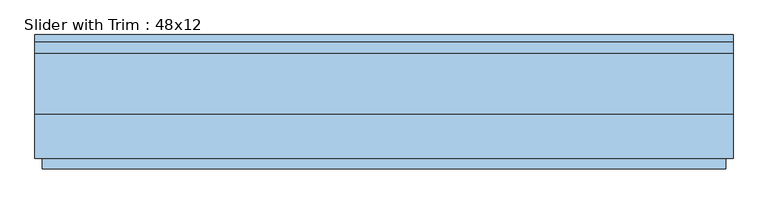
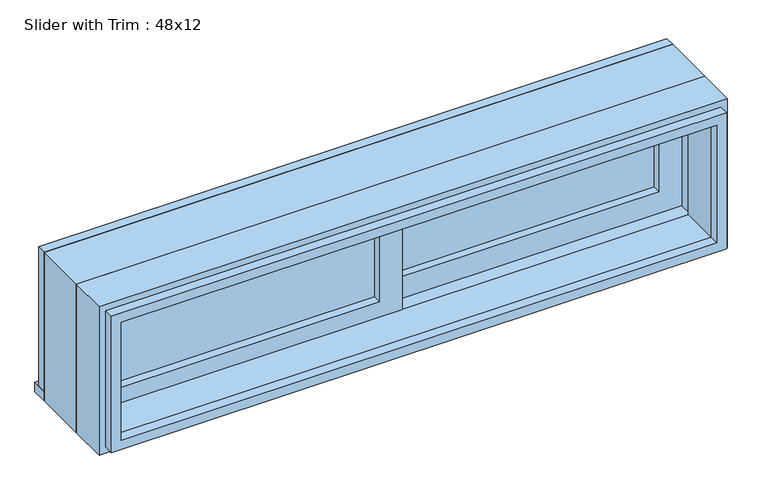
"""IFC4 building model written with IfcOpenShell, lengths in millimetres: window geometry, Slider with Trim : 48x12."""

from ifc_helpers import new_model, si_unit, frame, origin, place, context, project, spatial, polyline, outline, extrude, source, transform, mapped, element, save


def slider_with_trim_48x12_c7dc36d7(model_context):
    return source(origin(), model_context, "Body", "SweptSolid", [
        extrude(outline(polyline([(-546.1, 12.7), (-22.225, 12.7), (-22.225, 0.0), (-546.1, 0.0), (-546.1, 12.7)])), frame((0.0, 0.0, 977.9), z_axis=(0.0, 0.0, 1.0), x_axis=(1.0, 0.0, 0.0)), (0.0, 0.0, 1.0), 177.8),
        extrude(outline(polyline([(1200.15, -590.55), (933.45, -590.55), (933.45, 22.225), (1200.15, 22.225), (1200.15, -590.55)]), holes=[polyline([(1155.7, -546.1), (1155.7, -22.225), (977.9, -22.225), (977.9, -546.1), (1155.7, -546.1)])]), frame((0.0, -15.875, 0.0), z_axis=(0.0, 1.0, 0.0), x_axis=(0.0, 0.0, 1.0)), (0.0, 0.0, 1.0), 44.45),
        extrude(outline(polyline([(-609.6, 123.825), (609.6, 123.825), (609.6, 92.075), (-609.6, 92.075), (-609.6, 123.825)])), frame((0.0, 0.0, 914.4), z_axis=(0.0, 0.0, 1.0), x_axis=(1.0, 0.0, 0.0)), (0.0, 0.0, 1.0), 19.05),
        extrude(outline(polyline([(1200.15, -590.55), (1200.15, 590.55), (933.45, 590.55), (933.45, 609.6), (1219.2, 609.6), (1219.2, -609.6), (933.45, -609.6), (933.45, -590.55), (1200.15, -590.55)])), frame((0.0, 92.075, 0.0), z_axis=(0.0, 1.0, 0.0), x_axis=(0.0, 0.0, 1.0)), (0.0, 0.0, 1.0), 19.05),
        extrude(outline(polyline([(1206.5, 596.9), (1206.5, -596.9), (927.1, -596.9), (927.1, 596.9), (1206.5, 596.9)]), holes=[polyline([(1187.45, 577.85), (946.15, 577.85), (946.15, -577.85), (1187.45, -577.85), (1187.45, 577.85)])]), frame((0.0, -111.125, 0.0), z_axis=(0.0, 1.0, 0.0), x_axis=(0.0, 0.0, 1.0)), (0.0, 0.0, 1.0), 19.05),
        extrude(outline(polyline([(546.1, 44.45), (22.225, 44.45), (22.225, 57.15), (546.1, 57.15), (546.1, 44.45)])), frame((0.0, 0.0, 977.9), z_axis=(0.0, 0.0, 1.0), x_axis=(1.0, 0.0, 0.0)), (0.0, 0.0, 1.0), 177.8),
        extrude(outline(polyline([(1200.15, -22.225), (933.45, -22.225), (933.45, 590.55), (1200.15, 590.55), (1200.15, -22.225)]), holes=[polyline([(1155.7, 22.225), (1155.7, 546.1), (977.9, 546.1), (977.9, 22.225), (1155.7, 22.225)])]), frame((0.0, 28.575, 0.0), z_axis=(0.0, 1.0, 0.0), x_axis=(0.0, 0.0, 1.0)), (0.0, 0.0, 1.0), 44.45),
        extrude(outline(polyline([(1219.2, -609.6), (914.4, -609.6), (914.4, 609.6), (1219.2, 609.6), (1219.2, -609.6)]), holes=[polyline([(1187.45, -577.85), (1187.45, 577.85), (946.15, 577.85), (946.15, -577.85), (1187.45, -577.85)])]), frame((0.0, -92.075, 0.0), z_axis=(0.0, 1.0, 0.0), x_axis=(0.0, 0.0, 1.0)), (0.0, 0.0, 1.0), 76.2),
        extrude(outline(polyline([(1219.2, 609.6), (1219.2, -609.6), (914.4, -609.6), (914.4, 609.6), (1219.2, 609.6)]), holes=[polyline([(1200.15, 590.55), (933.45, 590.55), (933.45, -590.55), (1200.15, -590.55), (1200.15, 590.55)])]), frame((0.0, -15.875, 0.0), z_axis=(0.0, 1.0, 0.0), x_axis=(0.0, 0.0, 1.0)), (0.0, 0.0, 1.0), 107.95),
    ])


if __name__ == "__main__":
    model = new_model("IFC4")
    model_context = context("Model", 3, world=origin())
    ifc_project = project(units=[si_unit("LENGTHUNIT", "METRE", prefix="MILLI")], contexts=[model_context])
    site = spatial("IfcSite", under=ifc_project)
    building = spatial("IfcBuilding", under=site)
    placement = place(None, origin())
    slider_with_trim_48x12_shape = slider_with_trim_48x12_c7dc36d7(model_context)
    element("IfcWindow", 1, ObjectType="Slider with Trim : 48x12", at=placement, inside=building, context=model_context, shape_type="MappedRepresentation", body=[
        mapped(slider_with_trim_48x12_shape, transform((0.0, 0.0, 0.0), x_axis=(1.0, 0.0, 0.0), y_axis=(0.0, 1.0, 0.0), z_axis=(0.0, 0.0, 1.0))),
    ])
    save(model, "model.ifc")
